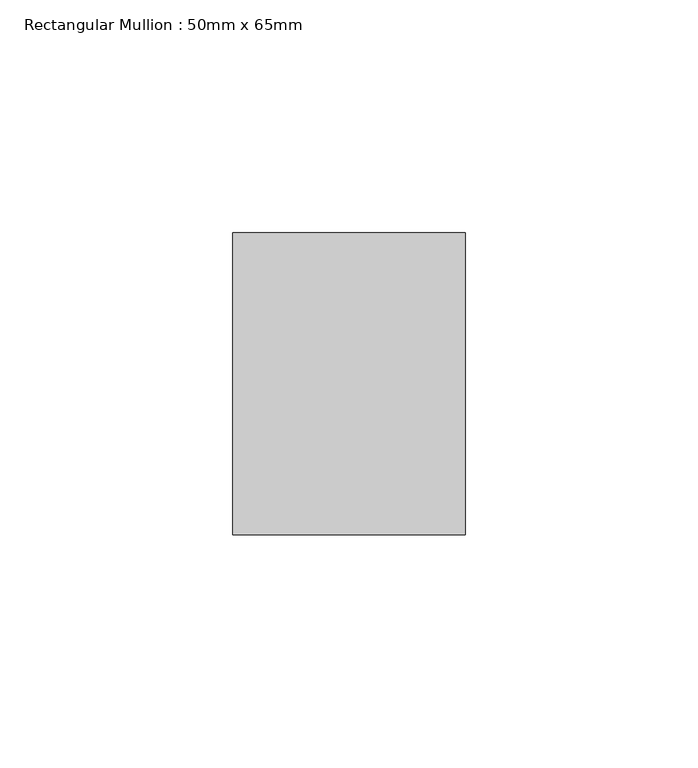
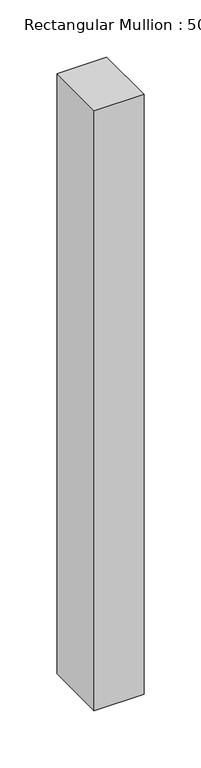
"""IFC4 building model written with IfcOpenShell, lengths in millimetres: member geometry, Rectangular Mullion : 50mm x 65mm."""

from ifc_helpers import new_model, si_unit, frame, origin, place, context, project, spatial, polyline, outline, extrude, source, transform, mapped, element, save


def rectangular_mullion_50mm_x_65mm_188dafb5(model_context):
    return source(origin(), model_context, "Body", "SweptSolid", [
        extrude(outline(polyline([(25.0, 32.5), (25.0, -32.5), (-25.0, -32.5), (-25.0, 32.5), (25.0, 32.5)])), frame((0.0, 0.0, -639.7125319), z_axis=(0.0, 0.0, 1.0), x_axis=(1.0, 0.0, 0.0)), (0.0, 0.0, 1.0), 639.7125319),
    ])


if __name__ == "__main__":
    model = new_model("IFC4")
    model_context = context("Model", 3, world=origin())
    ifc_project = project(units=[si_unit("LENGTHUNIT", "METRE", prefix="MILLI")], contexts=[model_context])
    site = spatial("IfcSite", under=ifc_project)
    building = spatial("IfcBuilding", under=site)
    placement = place(None, origin())
    rectangular_mullion_50mm_x_65mm_shape = rectangular_mullion_50mm_x_65mm_188dafb5(model_context)
    element("IfcMember", 1, ObjectType="Rectangular Mullion : 50mm x 65mm", at=placement, inside=building, context=model_context, shape_type="MappedRepresentation", body=[
        mapped(rectangular_mullion_50mm_x_65mm_shape, transform((0.0, 0.0, 0.0), x_axis=(1.0, 0.0, 0.0), y_axis=(0.0, 1.0, 0.0), z_axis=(0.0, 0.0, 1.0))),
    ])
    save(model, "model.ifc")
